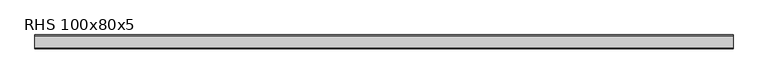
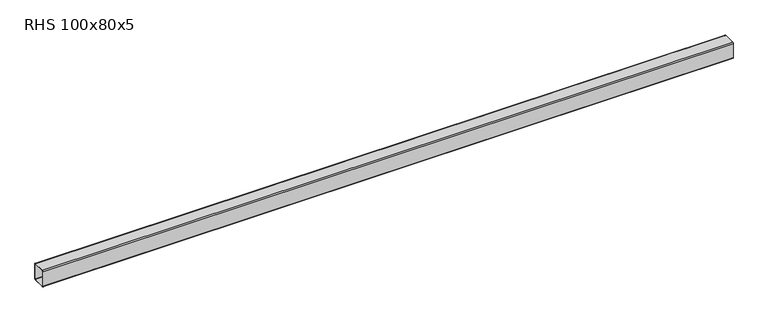
"""IFC4 building model written with IfcOpenShell, lengths in millimetres: beam geometry, RHS 100x80x5."""

from ifc_helpers import new_model, si_unit, point, frame, frame_2d, origin, place, context, project, spatial, polyline, circle_curve, trimmed, segment, composite_curve, outline, extrude, source, transform, mapped, element, save


def rhs_100x80x5_fc7744fe(model_context):
    return source(origin(), model_context, "Body", "SweptSolid", [
        extrude(outline(composite_curve([segment(polyline([(40.0, 45.0), (40.0, -45.0)]), True, "CONTINUOUS"), segment(trimmed(circle_curve(frame_2d((35.0, -45.0)), 5.0), [point((40.0, -45.0))], [point((35.0, -50.0))], False, "CARTESIAN"), True, "CONTINUOUS"), segment(polyline([(35.0, -50.0), (-35.0, -50.0)]), True, "CONTINUOUS"), segment(trimmed(circle_curve(frame_2d((-35.0, -45.0)), 5.0), [point((-35.0, -50.0))], [point((-40.0, -45.0))], False, "CARTESIAN"), True, "CONTINUOUS"), segment(polyline([(-40.0, -45.0), (-40.0, 45.0)]), True, "CONTINUOUS"), segment(trimmed(circle_curve(frame_2d((-35.0, 45.0)), 5.0), [point((-40.0, 45.0))], [point((-35.0, 50.0))], False, "CARTESIAN"), True, "CONTINUOUS"), segment(polyline([(-35.0, 50.0), (35.0, 50.0)]), True, "CONTINUOUS"), segment(trimmed(circle_curve(frame_2d((35.0, 45.0)), 5.0), [point((35.0, 50.0))], [point((40.0, 45.0))], False, "CARTESIAN"), True, "CONTINUOUS")], self_intersect=False), holes=[composite_curve([segment(trimmed(circle_curve(frame_2d((-35.0, 45.0)), 2.5), [point((-35.0, 47.5))], [point((-37.5, 45.0))], True, "CARTESIAN"), True, "CONTINUOUS"), segment(polyline([(-37.5, 45.0), (-37.5, -45.0)]), True, "CONTINUOUS"), segment(trimmed(circle_curve(frame_2d((-35.0, -45.0)), 2.5), [point((-37.5, -45.0))], [point((-35.0, -47.5))], True, "CARTESIAN"), True, "CONTINUOUS"), segment(polyline([(-35.0, -47.5), (35.0, -47.5)]), True, "CONTINUOUS"), segment(trimmed(circle_curve(frame_2d((35.0, -45.0)), 2.5), [point((35.0, -47.5))], [point((37.5, -45.0))], True, "CARTESIAN"), True, "CONTINUOUS"), segment(polyline([(37.5, -45.0), (37.5, 45.0)]), True, "CONTINUOUS"), segment(trimmed(circle_curve(frame_2d((35.0, 45.0)), 2.5), [point((37.5, 45.0))], [point((35.0, 47.5))], True, "CARTESIAN"), True, "CONTINUOUS"), segment(polyline([(35.0, 47.5), (-35.0, 47.5)]), True, "CONTINUOUS")], self_intersect=False)]), frame((-2024.1950409, 0.0, 0.0), z_axis=(1.0, 0.0, 0.0), x_axis=(0.0, 1.0, 0.0)), (0.0, 0.0, 1.0), 4061.0900824),
    ])


if __name__ == "__main__":
    model = new_model("IFC4")
    model_context = context("Model", 3, world=origin())
    ifc_project = project(units=[si_unit("LENGTHUNIT", "METRE", prefix="MILLI")], contexts=[model_context])
    site = spatial("IfcSite", under=ifc_project)
    building = spatial("IfcBuilding", under=site)
    placement = place(None, origin())
    rhs_100x80x5_shape = rhs_100x80x5_fc7744fe(model_context)
    element("IfcBeam", 1, ObjectType="RHS 100x80x5", at=placement, inside=building, context=model_context, shape_type="MappedRepresentation", body=[
        mapped(rhs_100x80x5_shape, transform((0.0, 0.0, 0.0), x_axis=(1.0, 0.0, 0.0), y_axis=(0.0, 1.0, 0.0), z_axis=(0.0, 0.0, 1.0))),
    ])
    save(model, "model.ifc")
